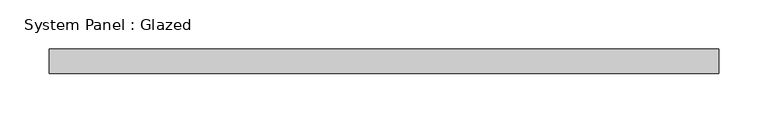
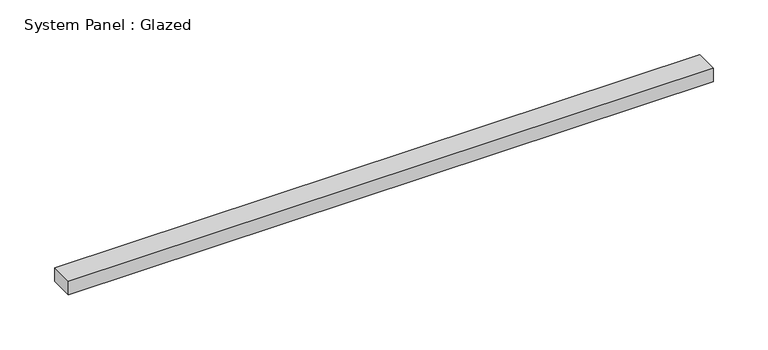
"""IFC4 building model written with IfcOpenShell, lengths in millimetres: plate geometry, System Panel : Glazed."""

from ifc_helpers import new_model, si_unit, origin, origin_with_axes, place, context, project, spatial, polyline, outline, extrude, source, transform, mapped, element, save


def system_panel_glazed_e9d3071e(model_context):
    return source(origin(), model_context, "Body", "SweptSolid", [
        extrude(outline(polyline([(340.0, 24.5), (-340.0, 24.5), (-340.0, 49.5), (340.0, 49.5), (340.0, 24.5)])), origin_with_axes(), (0.0, 0.0, 1.0), 15.0),
    ])


if __name__ == "__main__":
    model = new_model("IFC4")
    model_context = context("Model", 3, world=origin())
    ifc_project = project(units=[si_unit("LENGTHUNIT", "METRE", prefix="MILLI")], contexts=[model_context])
    site = spatial("IfcSite", under=ifc_project)
    building = spatial("IfcBuilding", under=site)
    placement = place(None, origin())
    system_panel_glazed_shape = system_panel_glazed_e9d3071e(model_context)
    element("IfcPlate", 1, ObjectType="System Panel : Glazed", at=placement, inside=building, context=model_context, shape_type="MappedRepresentation", body=[
        mapped(system_panel_glazed_shape, transform((0.0, 0.0, 0.0), x_axis=(1.0, 0.0, 0.0), y_axis=(0.0, 1.0, 0.0), z_axis=(0.0, 0.0, 1.0))),
    ])
    save(model, "model.ifc")
